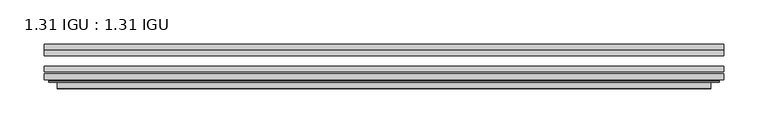
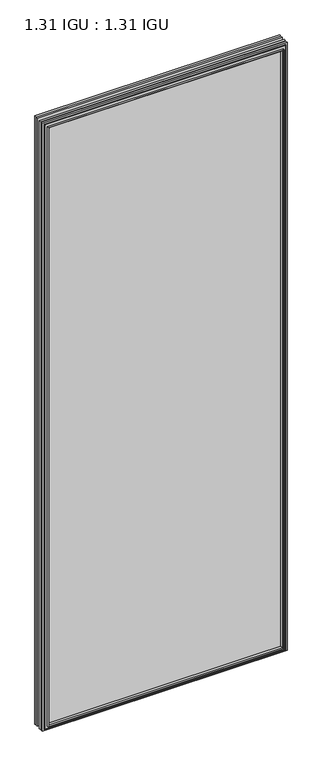
"""IFC4 building model written with IfcOpenShell, lengths in millimetres: plate geometry, 1.31 IGU : 1.31 IGU."""

from ifc_helpers import new_model, si_unit, frame, origin, place, context, project, spatial, polyline, ellipse_curve, outline, extrude, faceted_brep, source, transform, mapped, element, save
from ifc_brep_helpers import plane_surface, cylinder_surface, advanced_brep


def plate_1_31_igu_1_31_igu_280bd875(model_context):
    return source(origin(), model_context, "Body", "SolidModel", [
        extrude(outline(polyline([(382.6484066, -66.4725937), (382.6484066, -72.8225938), (-382.6342316, -72.8225938), (-382.6342316, -66.4725937), (382.6484066, -66.4725937)])), frame((0.0, 0.0, -14.2875), z_axis=(0.0, 0.0, 1.0), x_axis=(1.0, 0.0, 0.0)), (0.0, 0.0, 1.0), 2009.7964726),
        extrude(outline(polyline([(-382.6342316, -81.4585938), (-382.6342316, -75.1080887), (382.6484066, -75.1080887), (382.6484066, -81.4585938), (-382.6342316, -81.4585938)])), frame((0.0, 0.0, -14.2875), z_axis=(0.0, 0.0, 1.0), x_axis=(1.0, 0.0, 0.0)), (0.0, 0.0, 1.0), 2009.7964726),
        extrude(outline(polyline([(382.6484066, -48.1337937), (382.6484066, -54.4837938), (-382.6342316, -54.4837938), (-382.6342316, -48.1337937), (382.6484066, -48.1337937)])), frame((0.0, 0.0, -14.2875), z_axis=(0.0, 0.0, 1.0), x_axis=(1.0, 0.0, 0.0)), (0.0, 0.0, 1.0), 2009.7964726),
        faceted_brep([(-368.3414218, -41.7837938, 1981.2123649), (-367.4489875, -48.1337937, 1980.3199306), (-367.4489875, -48.1337937, 0.8977441), (-368.3414218, -41.7837938, 0.0053098), (-382.6469316, -48.1337937, 1995.5178747), (-382.6469316, -41.7837938, 1995.5178747), (-382.6469316, -41.7837938, -14.3002), (-382.6469316, -48.1337937, -14.3002), (367.4489875, -48.1337937, 0.8977441), (368.3414218, -41.7837938, 0.0053098), (382.6469316, -41.7837938, -14.3002), (382.6469316, -48.1337937, -14.3002), (367.4489875, -48.1337937, 1980.3199306), (368.3414218, -41.7837938, 1981.2123649), (382.6469316, -41.7837938, 1995.5178747), (382.6469316, -48.1337937, 1995.5178747)], [[[0, 1, 2, 3]], [[4, 5, 6, 7]], [[3, 2, 8, 9]], [[7, 6, 10, 11]], [[9, 8, 12, 13]], [[11, 10, 14, 15]], [[7, 11, 15, 4], [1, 12, 8, 2]], [[13, 12, 1, 0]], [[5, 14, 10, 6], [3, 9, 13, 0]], [[15, 14, 5, 4]]]),
        advanced_brep(
        [(-376.7453665, -84.6335938, 1989.6163096), (-377.747156, -83.4482604, 1990.6180991), (-377.747156, -83.4482604, -9.4004244), (-376.7453665, -84.6335938, -8.3986349), (-368.3413101, -91.0948368, 1981.2122532), (-368.3413101, -84.6335938, 1981.2122532), (-368.3413101, -84.6335938, 0.0054216), (-368.3413101, -91.0948368, 0.0054216), (-367.3506533, -90.6958619, 1980.2215964), (-367.3506533, -90.6958619, 0.9960783), (-366.3186255, -85.2986307, 1979.1895686), (-366.3186255, -85.2986307, 2.0281061), (-361.3837937, -81.4585938, 1974.2547368), (-361.3837937, -81.4585938, 6.9629379), (-375.3929507, -81.4585938, 1988.2638938), (-375.3929507, -81.4585938, -7.046219), (377.747156, -83.4482604, -9.4004244), (376.7453665, -84.6335938, -8.3986349), (368.3413101, -84.6335938, 0.0054216), (368.3413101, -91.0948368, 0.0054216), (367.3506533, -90.6958619, 0.9960783), (366.3186255, -85.2986307, 2.0281061), (361.3837937, -81.4585938, 6.9629379), (375.3929507, -81.4585938, -7.046219), (377.747156, -83.4482604, 1990.6180991), (376.7453665, -84.6335938, 1989.6163096), (368.3413101, -84.6335938, 1981.2122532), (368.3413101, -91.0948368, 1981.2122532), (367.3506533, -90.6958619, 1980.2215964), (366.3186255, -85.2986307, 1979.1895686), (361.3837937, -81.4585938, 1974.2547368), (375.3929507, -81.4585938, 1988.2638938)],
        [
            (0, 1, ellipse_curve(frame((-376.7453665, -83.6175938, 1989.6163096), z_axis=(-0.7071067811865475, 0.0, -0.7071067811865475), x_axis=(-0.7071067811865474, 0.0, 0.7071067811865476)), 1.436841, 1.016)),
            (1, 2),
            (2, 3, ellipse_curve(frame((-376.7453665, -83.6175938, -8.3986349), z_axis=(-0.7071067811865475, 0.0, 0.7071067811865475), x_axis=(0.7071067811865474, 0.0, 0.7071067811865476)), 1.436841, 1.016)),
            (3, 0),
            (4, 5),
            (5, 6),
            (6, 7),
            (7, 4),
            (8, 4, ellipse_curve(frame((-367.9743535, -90.5766015, 1980.8452966), z_axis=(-0.7071067811865475, 0.0, -0.7071067811865475), x_axis=(-0.7071067811865474, 0.0, 0.7071067811865476)), 0.8980256, 0.635)),
            (7, 9, ellipse_curve(frame((-367.9743535, -90.5766015, 0.3723781), z_axis=(-0.7071067811865475, 0.0, 0.7071067811865475), x_axis=(0.7071067811865474, 0.0, 0.7071067811865476)), 0.8980256, 0.635)),
            (9, 8),
            (10, 8),
            (9, 11),
            (11, 10),
            (12, 10),
            (11, 13),
            (13, 12),
            (1, 14, ellipse_curve(frame((-375.3929507, -83.8461938, 1988.2638938), z_axis=(-0.7071067811865475, 0.0, -0.7071067811865475), x_axis=(-0.7071067811865474, 0.0, 0.7071067811865476)), 3.3765763, 2.3876)),
            (14, 15),
            (15, 2, ellipse_curve(frame((-375.3929507, -83.8461938, -7.046219), z_axis=(-0.7071067811865475, 0.0, 0.7071067811865475), x_axis=(0.7071067811865474, 0.0, 0.7071067811865476)), 3.3765763, 2.3876)),
            (2, 16),
            (16, 17, ellipse_curve(frame((376.7453665, -83.6175938, -8.3986349), z_axis=(-0.7071067811865475, 0.0, -0.7071067811865475), x_axis=(-0.7071067811865476, 0.0, 0.7071067811865474)), 1.436841, 1.016)),
            (17, 3),
            (6, 18),
            (18, 19),
            (19, 7),
            (19, 20, ellipse_curve(frame((367.9743535, -90.5766015, 0.3723781), z_axis=(-0.7071067811865475, 0.0, -0.7071067811865475), x_axis=(-0.7071067811865476, 0.0, 0.7071067811865474)), 0.8980256, 0.635)),
            (20, 9),
            (20, 21),
            (21, 11),
            (21, 22),
            (22, 13),
            (15, 23),
            (23, 16, ellipse_curve(frame((375.3929507, -83.8461938, -7.046219), z_axis=(-0.7071067811865475, 0.0, -0.7071067811865475), x_axis=(-0.7071067811865476, 0.0, 0.7071067811865474)), 3.3765763, 2.3876)),
            (16, 24),
            (24, 25, ellipse_curve(frame((376.7453665, -83.6175938, 1989.6163096), z_axis=(0.7071067811865475, 0.0, -0.7071067811865475), x_axis=(-0.7071067811865474, 0.0, -0.7071067811865476)), 1.436841, 1.016)),
            (25, 17),
            (18, 26),
            (26, 27),
            (27, 19),
            (27, 28, ellipse_curve(frame((367.9743535, -90.5766015, 1980.8452966), z_axis=(0.7071067811865475, 0.0, -0.7071067811865475), x_axis=(-0.7071067811865474, 0.0, -0.7071067811865476)), 0.8980256, 0.635)),
            (28, 20),
            (28, 29),
            (29, 21),
            (29, 30),
            (30, 22),
            (23, 31),
            (31, 24, ellipse_curve(frame((375.3929507, -83.8461938, 1988.2638938), z_axis=(0.7071067811865475, 0.0, -0.7071067811865475), x_axis=(-0.7071067811865474, 0.0, -0.7071067811865476)), 3.3765763, 2.3876)),
            (24, 1),
            (0, 25),
            (5, 26),
            (4, 27),
            (8, 28),
            (10, 29),
            (12, 30),
            (14, 31),
        ],
        [
            cylinder_surface(frame((-376.7453665, -83.6175938, 2012.9676747), z_axis=(0.0, 0.0, 1.0), x_axis=(-1.0, 0.0, 0.0)), 1.016),
            plane_surface(frame((-368.3413101, -84.6335938, 1981.2122532), z_axis=(-1.0, 0.0, 0.0), x_axis=(0.0, 0.0, -1.0))),
            cylinder_surface(frame((-367.9743535, -90.5766015, 2012.9676747), z_axis=(0.0, 0.0, 1.0), x_axis=(-1.0, 0.0, 0.0)), 0.635),
            plane_surface(frame((-367.3506533, -90.6958619, 1980.2215964), z_axis=(0.9822050625507717, -0.1878116479338675, 0.0), x_axis=(0.0, 0.0, -1.0))),
            plane_surface(frame((-366.3186255, -85.2986307, 1979.1895686), z_axis=(0.6141233906514726, -0.7892100234124875, 0.0), x_axis=(0.0, 0.0, -1.0))),
            cylinder_surface(frame((-375.3929507, -83.8461938, 2012.9676747), z_axis=(0.0, 0.0, 1.0), x_axis=(-1.0, 0.0, 0.0)), 2.3876),
            cylinder_surface(frame((-400.0967316, -83.6175938, -8.3986349), z_axis=(-1.0, 0.0, 0.0), x_axis=(0.0, 0.0, -1.0)), 1.016),
            plane_surface(frame((-368.3413101, -84.6335938, 0.0054216), z_axis=(0.0, 0.0, -1.0), x_axis=(1.0, 0.0, 0.0))),
            cylinder_surface(frame((-400.0967316, -90.5766015, 0.3723781), z_axis=(-1.0, 0.0, 0.0), x_axis=(0.0, 0.0, -1.0)), 0.635),
            plane_surface(frame((-367.3506533, -90.6958619, 0.9960783), z_axis=(0.0, -0.18781164793386435, 0.9822050625507722), x_axis=(1.0, 0.0, 0.0))),
            plane_surface(frame((-366.3186255, -85.2986307, 2.0281061), z_axis=(0.0, -0.7892100234124855, 0.6141233906514751), x_axis=(1.0, 0.0, 0.0))),
            cylinder_surface(frame((-400.0967316, -83.8461938, -7.046219), z_axis=(-1.0, 0.0, 0.0), x_axis=(0.0, 0.0, -1.0)), 2.3876),
            cylinder_surface(frame((376.7453665, -83.6175938, -31.75), z_axis=(0.0, 0.0, -1.0), x_axis=(1.0, 0.0, 0.0)), 1.016),
            plane_surface(frame((368.3413101, -84.6335938, 0.0054216), z_axis=(1.0, 0.0, 0.0), x_axis=(0.0, 0.0, 1.0))),
            cylinder_surface(frame((367.9743535, -90.5766015, -31.75), z_axis=(0.0, 0.0, -1.0), x_axis=(1.0, 0.0, 0.0)), 0.635),
            plane_surface(frame((367.3506533, -90.6958619, 0.9960783), z_axis=(-0.9822050625507728, -0.18781164793386118, 0.0), x_axis=(0.0, 0.0, 1.0))),
            plane_surface(frame((366.3186255, -85.2986307, 2.0281061), z_axis=(-0.6141233906514777, -0.7892100234124835, 0.0), x_axis=(0.0, 0.0, 1.0))),
            cylinder_surface(frame((375.3929507, -83.8461938, -31.75), z_axis=(0.0, 0.0, -1.0), x_axis=(1.0, 0.0, 0.0)), 2.3876),
            cylinder_surface(frame((400.0967316, -83.6175938, 1989.6163096), z_axis=(1.0, 0.0, 0.0), x_axis=(0.0, 0.0, 1.0)), 1.016),
            plane_surface(frame((376.7453665, -84.6335938, 1989.6163096), z_axis=(0.0, -1.0, 0.0), x_axis=(-1.0, 0.0, 0.0))),
            plane_surface(frame((368.3413101, -84.6335938, 1981.2122532), z_axis=(0.0, 0.0, 1.0), x_axis=(-1.0, 0.0, 0.0))),
            cylinder_surface(frame((400.0967316, -90.5766015, 1980.8452966), z_axis=(1.0, 0.0, 0.0), x_axis=(0.0, 0.0, 1.0)), 0.635),
            plane_surface(frame((367.3506533, -90.6958619, 1980.2215964), z_axis=(0.0, -0.18781164793386435, -0.9822050625507722), x_axis=(-1.0, 0.0, 0.0))),
            plane_surface(frame((366.3186255, -85.2986307, 1979.1895686), z_axis=(0.0, -0.7892100234124855, -0.6141233906514751), x_axis=(-1.0, 0.0, 0.0))),
            plane_surface(frame((361.3837937, -81.4585938, 1974.2547368), z_axis=(0.0, 1.0, 0.0), x_axis=(-1.0, 0.0, 0.0))),
            cylinder_surface(frame((400.0967316, -83.8461938, 1988.2638938), z_axis=(1.0, 0.0, 0.0), x_axis=(0.0, 0.0, 1.0)), 2.3876),
        ],
        [
            (0, [[1, 2, 3, 4]]),
            (1, [[5, 6, 7, 8]]),
            (2, [[9, -8, 10, 11]]),
            (3, [[12, -11, 13, 14]]),
            (4, [[15, -14, 16, 17]]),
            (5, [[18, 19, 20, -2]]),
            (6, [[-3, 21, 22, 23]]),
            (7, [[-7, 24, 25, 26]]),
            (8, [[-10, -26, 27, 28]]),
            (9, [[-13, -28, 29, 30]]),
            (10, [[-16, -30, 31, 32]]),
            (11, [[-20, 33, 34, -21]]),
            (12, [[-22, 35, 36, 37]]),
            (13, [[-25, 38, 39, 40]]),
            (14, [[-27, -40, 41, 42]]),
            (15, [[-29, -42, 43, 44]]),
            (16, [[-31, -44, 45, 46]]),
            (17, [[-34, 47, 48, -35]]),
            (18, [[-36, 49, -1, 50]]),
            (19, [[-23, -37, -50, -4], [51, -38, -24, -6]]),
            (20, [[-39, -51, -5, 52]]),
            (21, [[-41, -52, -9, 53]]),
            (22, [[-43, -53, -12, 54]]),
            (23, [[-45, -54, -15, 55]]),
            (24, [[56, -47, -33, -19], [-32, -46, -55, -17]]),
            (25, [[-48, -56, -18, -49]]),
        ],
    ),
    ])


if __name__ == "__main__":
    model = new_model("IFC4")
    model_context = context("Model", 3, world=origin())
    ifc_project = project(units=[si_unit("LENGTHUNIT", "METRE", prefix="MILLI")], contexts=[model_context])
    site = spatial("IfcSite", under=ifc_project)
    building = spatial("IfcBuilding", under=site)
    placement = place(None, origin())
    plate_1_31_igu_1_31_igu_shape = plate_1_31_igu_1_31_igu_280bd875(model_context)
    element("IfcPlate", 1, ObjectType="1.31 IGU : 1.31 IGU", at=placement, inside=building, context=model_context, shape_type="MappedRepresentation", body=[
        mapped(plate_1_31_igu_1_31_igu_shape, transform((0.0, 0.0, 0.0), x_axis=(1.0, 0.0, 0.0), y_axis=(0.0, 1.0, 0.0), z_axis=(0.0, 0.0, 1.0))),
    ])
    save(model, "model.ifc")
